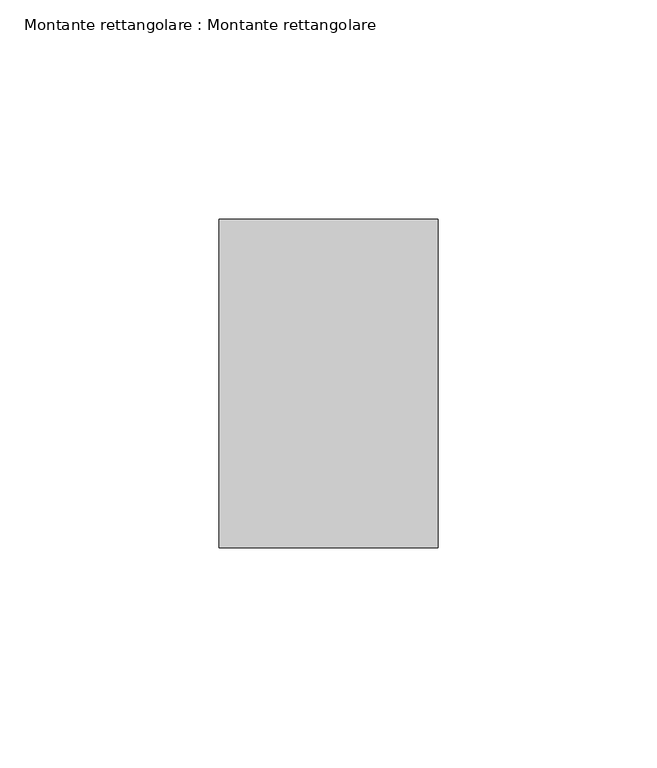
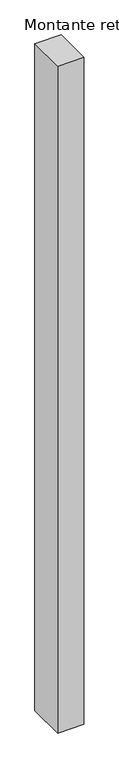
"""IFC4 building model written with IfcOpenShell, lengths in millimetres: member geometry, Montante rettangolare : Montante rettangolare."""

from ifc_helpers import new_model, si_unit, frame, origin, place, context, project, spatial, polyline, outline, extrude, source, transform, mapped, element, save


def montante_rettangolare_montante_rettangolare_c8bdcf78(model_context):
    return source(origin(), model_context, "Body", "SweptSolid", [
        extrude(outline(polyline([(0.0, 37.5), (0.0, -37.5), (-50.0, -37.5), (-50.0, 37.5), (0.0, 37.5)])), frame((0.0, 0.0, -1350.0), z_axis=(0.0, 0.0, 1.0), x_axis=(1.0, 0.0, 0.0)), (0.0, 0.0, 1.0), 1350.0),
    ])


if __name__ == "__main__":
    model = new_model("IFC4")
    model_context = context("Model", 3, world=origin())
    ifc_project = project(units=[si_unit("LENGTHUNIT", "METRE", prefix="MILLI")], contexts=[model_context])
    site = spatial("IfcSite", under=ifc_project)
    building = spatial("IfcBuilding", under=site)
    placement = place(None, origin())
    montante_rettangolare_montante_rettangolare_shape = montante_rettangolare_montante_rettangolare_c8bdcf78(model_context)
    element("IfcMember", 1, ObjectType="Montante rettangolare : Montante rettangolare", at=placement, inside=building, context=model_context, shape_type="MappedRepresentation", body=[
        mapped(montante_rettangolare_montante_rettangolare_shape, transform((0.0, 0.0, 0.0), x_axis=(1.0, 0.0, 0.0), y_axis=(0.0, 1.0, 0.0), z_axis=(0.0, 0.0, 1.0))),
    ])
    save(model, "model.ifc")
